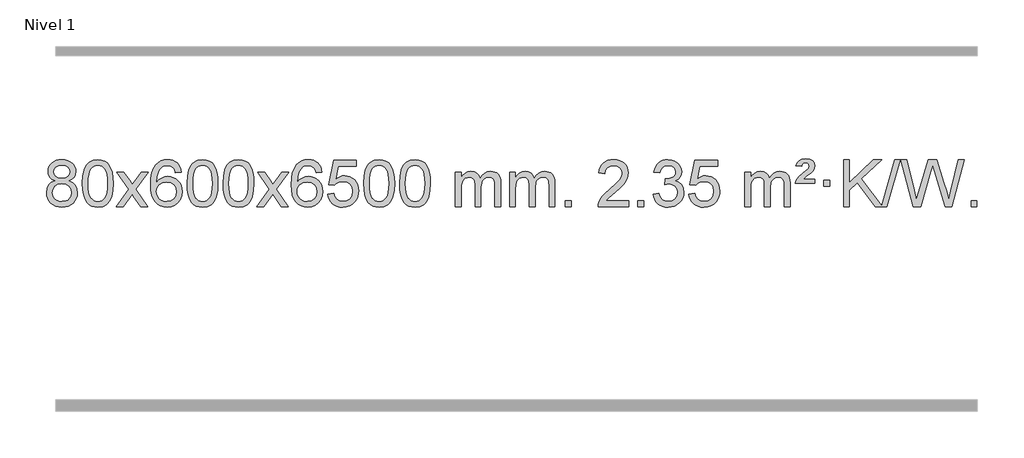
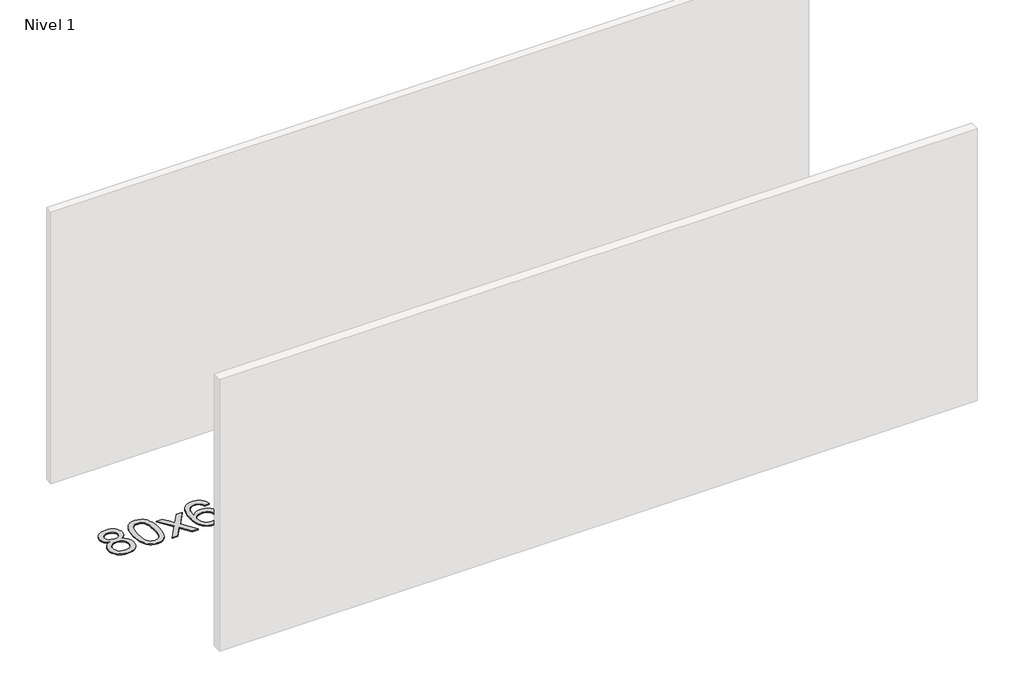
# One storey, part 5 of 16: 1 proxy.
"""IFC4 building model written with IfcOpenShell, lengths in millimetres."""

from ifc_helpers import new_model, si_unit, origin, origin_with_axes, place, context, project, spatial, polyline, outline, extrude, element, save

model = new_model("IFC4")

# Units and contexts
model_context = context("Model", 3, world=origin())
ifc_project = project(units=[si_unit("LENGTHUNIT", "METRE", prefix="MILLI")], contexts=[model_context])

# Site, building, storey
site = spatial("IfcSite", under=ifc_project)
building = spatial("IfcBuilding", under=site)
storey = spatial("IfcBuildingStorey", under=building, Name="Nivel 1", Elevation=0.0)

# Proxy
placement = place(None, origin())
element("IfcBuildingElementProxy", 1, Name="Texto de modelo 1", ObjectType="Texto de modelo 1", at=placement, inside=storey, context=model_context, shape_type="SweptSolid", body=[
    extrude(outline(polyline([(-13036.8094438, -6178.2616447), (-13063.7016177, -6165.0178929), (-13082.573964, -6147.0652515), (-13093.7207885, -6124.7716026), (-13097.4363966, -6098.5048281), (-13095.4130456, -6078.0199324), (-13089.3429927, -6059.2395565), (-13079.2262378, -6042.1637006), (-13065.062781, -6026.7923645), (-13047.533204, -6014.088173), (-13027.3180883, -6005.0137504), (-13004.4174341, -5999.5690969), (-12978.8312414, -5997.7542124), (-12953.1224213, -5999.6120165), (-12930.0500888, -6005.1854287), (-12909.614244, -6014.4744491), (-12891.8148868, -6027.4790776), (-12877.3939126, -6043.1508506), (-12867.0932167, -6060.4413044), (-12860.9127992, -6079.3504389), (-12858.85266, -6099.8782543), (-12862.5192172, -6125.2989001), (-12873.5188889, -6147.2124043), (-12891.9743023, -6165.0546811), (-12918.0080848, -6178.2616447), (-12887.0937345, -6194.1909351), (-12864.5916191, -6217.6495436), (-12850.8696207, -6247.5092989), (-12846.2956212, -6282.6420295), (-12848.5642269, -6307.6947933), (-12855.3700438, -6330.6628926), (-12866.713072, -6351.5463272), (-12882.5933114, -6370.3450971), (-12902.1768963, -6385.88198), (-12924.6299607, -6396.9797536), (-12949.9525047, -6403.6384177), (-12978.1445283, -6405.8579724), (-13006.3365519, -6403.6292206), (-13031.6590959, -6396.9429654), (-13054.1121603, -6385.7992066), (-13073.6957452, -6370.1979443), (-13089.5759846, -6351.26735), (-13100.9190128, -6330.135595), (-13107.7248297, -6306.8026795), (-13109.9934354, -6281.2686033), (-13105.2354949, -6244.7747094), (-13090.9616735, -6214.7555386), (-13067.9077351, -6192.2411605), (-13036.8094438, -6178.2616447)]), holes=[polyline([(-13047.2082415, -6099.9763561), (-13042.7568694, -6121.902123), (-13029.402753, -6139.413306), (-13007.5382997, -6150.8912243), (-12977.5559171, -6154.717197), (-12948.2725103, -6150.9157497), (-12926.7391508, -6139.5114079), (-12913.495399, -6122.5888361), (-12909.0808151, -6102.232699), (-12913.6425518, -6081.1040098), (-12927.327762, -6063.629615), (-12949.1554271, -6051.8941794), (-12978.1445283, -6047.9823675), (-13007.3175705, -6051.8083402), (-13029.1084474, -6063.2862585), (-13042.683293, -6080.1107284), (-13047.2082415, -6099.9763561)]), polyline([(-13059.7652803, -6279.5027698), (-13057.6683529, -6298.7184726), (-13051.3775708, -6317.3210389), (-13039.7647625, -6333.5446349), (-13021.7017565, -6345.623427), (-13000.0702952, -6353.1282197), (-12977.7521208, -6355.6298173), (-12943.5636208, -6350.3691048), (-12929.6699441, -6343.7932141), (-12917.909983, -6334.5869672), (-12901.870328, -6310.6869002), (-12896.5237763, -6281.0723996), (-12902.0420062, -6250.9551269), (-12918.596696, -6226.5277625), (-12930.6754882, -6217.0854579), (-12944.838945, -6210.3409547), (-12979.4198526, -6204.9453521), (-13013.130106, -6210.2673783), (-13026.8674329, -6216.919911), (-13038.5262264, -6226.2334569), (-13054.4555168, -6250.1948375), (-13059.7652803, -6279.5027698)])]), origin_with_axes(), (0.0, 0.0, 1.0), 10.0),
    extrude(outline(polyline([(-12802.3459855, -6201.9041943), (-12798.6549029, -6137.5861588), (-12787.5816548, -6086.2911459), (-12769.236606, -6047.2343407), (-12757.378543, -6032.0009605), (-12743.730121, -6019.6309284), (-12728.2453547, -6010.0598651), (-12710.8782588, -6003.2233914), (-12670.4970785, -5997.7542124), (-12639.5459399, -6000.991574), (-12611.832163, -6010.7036586), (-12588.6555973, -6026.5103217), (-12571.3160926, -6048.0314184), (-12558.2194935, -6075.0830078), (-12547.7716449, -6107.4811488), (-12540.9290398, -6148.6226186), (-12538.6481714, -6201.9041943), (-12542.3024659, -6265.8543477), (-12553.2653493, -6317.0267333), (-12571.5000336, -6356.1203266), (-12583.3305054, -6371.3996922), (-12596.9697304, -6383.8341036), (-12612.4728908, -6393.4695462), (-12629.8951689, -6400.3520052), (-12670.4970785, -6405.8579724), (-12698.1618045, -6403.4667394), (-12722.6872709, -6396.2930405), (-12744.0734775, -6384.3368757), (-12762.3204245, -6367.5982449), (-12779.8316074, -6337.3399508), (-12792.3395953, -6299.6381776), (-12799.844388, -6254.4929255), (-12802.3459855, -6201.9041943)]), holes=[polyline([(-12752.1178305, -6201.8060924), (-12750.6463025, -6245.4706195), (-12746.2317185, -6280.8148822), (-12738.8740786, -6307.8388804), (-12728.5733828, -6326.5426142), (-12716.1144459, -6339.2682656), (-12702.2820829, -6348.3580165), (-12687.0762937, -6353.8118671), (-12670.4970785, -6355.6298173), (-12653.9178632, -6353.8057357), (-12638.7120741, -6348.3334911), (-12624.8797111, -6339.2130833), (-12612.4207742, -6326.4445124), (-12602.1200783, -6307.7101217), (-12594.7624384, -6280.6922549), (-12590.3478545, -6245.3909118), (-12588.8763265, -6201.8060924), (-12590.2988035, -6159.2973278), (-12594.5662347, -6124.5753989), (-12601.6786199, -6097.6403055), (-12611.6359592, -6078.4920476), (-12623.8864297, -6065.1440625), (-12637.8782082, -6055.6097875), (-12653.6112949, -6049.8892225), (-12671.0856897, -6047.9823675), (-12687.5790658, -6049.6623619), (-12702.5273375, -6054.7023452), (-12715.9305049, -6063.1023175), (-12727.7885679, -6074.8622786), (-12738.4326203, -6095.708925), (-12746.0355148, -6123.8151094), (-12750.5972516, -6159.1808319), (-12752.1178305, -6201.8060924)])]), origin_with_axes(), (0.0, 0.0, 1.0), 10.0),
    extrude(outline(polyline([(-12513.5340939, -6399.579453), (-12406.2106531, -6251.2494325), (-12507.2555745, -6104.4890419), (-12446.8248254, -6104.4890419), (-12398.0681983, -6175.122385), (-12375.3085655, -6208.4770192), (-12355.5900906, -6181.2047007), (-12300.0644348, -6104.4890419), (-12239.6336857, -6104.4890419), (-12345.7799041, -6251.2494325), (-12243.5577603, -6399.579453), (-12303.9885094, -6399.579453), (-12365.498379, -6310.4048574), (-12376.7800935, -6294.1199477), (-12453.1033448, -6399.579453), (-12513.5340939, -6399.579453)])), origin_with_axes(), (0.0, 0.0, 1.0), 10.0),
    extrude(outline(polyline([(-11954.7458687, -6104.4890419), (-12004.9740237, -6110.7675613), (-12013.0674276, -6085.874213), (-12024.0057856, -6068.8780648), (-12046.7899439, -6053.2062918), (-12074.3320426, -6047.9823675), (-12097.6802865, -6051.0235253), (-12119.6551044, -6060.1469988), (-12138.5274507, -6079.3627017), (-12153.9417063, -6105.8134171), (-12164.3527668, -6143.227016), (-12168.2155277, -6195.3313693), (-12148.0678571, -6171.8237098), (-12123.9225355, -6155.2567573), (-12097.1284635, -6145.434308), (-12069.0345418, -6142.1601582), (-12044.9014829, -6144.398107), (-12022.6323595, -6151.1119534), (-12002.2271715, -6162.3016975), (-11983.6859189, -6177.9673391), (-11968.2777947, -6197.1769106), (-11957.2719917, -6218.9984443), (-11950.6685099, -6243.4319401), (-11948.4673493, -6270.4773982), (-11952.6121531, -6306.4439945), (-11965.0465645, -6339.786366), (-11984.740514, -6368.0642287), (-12010.6639319, -6388.8372987), (-12041.6395959, -6401.602804), (-12076.4902836, -6405.8579724), (-12106.4328123, -6403.0375437), (-12133.4752046, -6394.5762579), (-12157.6174606, -6380.4741147), (-12178.8595801, -6360.7311143), (-12196.177625, -6334.5133908), (-12208.5476571, -6300.9870783), (-12215.9696764, -6260.1521768), (-12218.4436828, -6212.0086864), (-12215.6968306, -6158.0342663), (-12207.4562739, -6111.9693092), (-12193.7220127, -6073.8138149), (-12174.4940471, -6043.5677835), (-12153.6535321, -6023.5243462), (-12129.4898164, -6009.2076052), (-12102.0029, -6000.6175606), (-12071.1927829, -5997.7542124), (-12048.0591367, -5999.5261773), (-12027.1205198, -6004.8420722), (-12008.3769322, -6013.7018969), (-11991.8283738, -6026.1056515), (-11977.9224344, -6041.6364031), (-11967.1067037, -6059.8772186), (-11959.3811818, -6080.8280983), (-11954.7458687, -6104.4890419)]), holes=[polyline([(-12168.2155277, -6269.6925832), (-12165.30926, -6291.9494439), (-12156.5904567, -6313.2007605), (-12143.0523993, -6331.472233), (-12125.6883691, -6344.7895612), (-12104.7313581, -6352.9197533), (-12080.4143582, -6355.6298173), (-12047.2681904, -6350.0134855), (-12033.353054, -6342.9930708), (-12021.2098825, -6333.1644901), (-12011.359842, -6320.9262824), (-12004.3240989, -6306.6769865), (-11998.6955043, -6272.1451299), (-12004.2505225, -6238.9989621), (-12011.1942951, -6225.3781312), (-12020.9155769, -6213.725469), (-12033.0955366, -6204.3904634), (-12047.4153432, -6197.7226022), (-12082.4744974, -6192.3883133), (-12115.5716142, -6197.7226022), (-12143.248603, -6213.725469), (-12154.1716326, -6225.2248471), (-12161.9737965, -6238.3858254), (-12166.6550949, -6253.2084042), (-12168.2155277, -6269.6925832)])]), origin_with_axes(), (0.0, 0.0, 1.0), 10.0),
    extrude(outline(polyline([(-11904.5177136, -6201.9041943), (-11900.8266309, -6137.5861588), (-11889.7533828, -6086.2911459), (-11871.408334, -6047.2343407), (-11859.550271, -6032.0009605), (-11845.901849, -6019.6309284), (-11830.4170827, -6010.0598651), (-11813.0499869, -6003.2233914), (-11772.6688065, -5997.7542124), (-11741.717668, -6000.991574), (-11714.003891, -6010.7036586), (-11690.8273253, -6026.5103217), (-11673.4878206, -6048.0314184), (-11660.3912216, -6075.0830078), (-11649.9433729, -6107.4811488), (-11643.1007678, -6148.6226186), (-11640.8198994, -6201.9041943), (-11644.4741939, -6265.8543477), (-11655.4370774, -6317.0267333), (-11673.6717616, -6356.1203266), (-11685.5022334, -6371.3996922), (-11699.1414584, -6383.8341036), (-11714.6446188, -6393.4695462), (-11732.066897, -6400.3520052), (-11772.6688065, -6405.8579724), (-11800.3335326, -6403.4667394), (-11824.8589989, -6396.2930405), (-11846.2452055, -6384.3368757), (-11864.4921525, -6367.5982449), (-11882.0033355, -6337.3399508), (-11894.5113233, -6299.6381776), (-11902.016116, -6254.4929255), (-11904.5177136, -6201.9041943)]), holes=[polyline([(-11854.2895585, -6201.8060924), (-11852.8180305, -6245.4706195), (-11848.4034466, -6280.8148822), (-11841.0458067, -6307.8388804), (-11830.7451108, -6326.5426142), (-11818.2861739, -6339.2682656), (-11804.4538109, -6348.3580165), (-11789.2480218, -6353.8118671), (-11772.6688065, -6355.6298173), (-11756.0895913, -6353.8057357), (-11740.8838021, -6348.3334911), (-11727.0514391, -6339.2130833), (-11714.5925022, -6326.4445124), (-11704.2918063, -6307.7101217), (-11696.9341664, -6280.6922549), (-11692.5195825, -6245.3909118), (-11691.0480545, -6201.8060924), (-11692.4705316, -6159.2973278), (-11696.7379627, -6124.5753989), (-11703.8503479, -6097.6403055), (-11713.8076873, -6078.4920476), (-11726.0581577, -6065.1440625), (-11740.0499363, -6055.6097875), (-11755.7830229, -6049.8892225), (-11773.2574177, -6047.9823675), (-11789.7507938, -6049.6623619), (-11804.6990656, -6054.7023452), (-11818.1022329, -6063.1023175), (-11829.9602959, -6074.8622786), (-11840.6043483, -6095.708925), (-11848.2072429, -6123.8151094), (-11852.7689796, -6159.1808319), (-11854.2895585, -6201.8060924)])]), origin_with_axes(), (0.0, 0.0, 1.0), 10.0),
    extrude(outline(polyline([(-11596.8702638, -6201.9041943), (-11593.1791811, -6137.5861588), (-11582.105933, -6086.2911459), (-11563.7608842, -6047.2343407), (-11551.9028212, -6032.0009605), (-11538.2543992, -6019.6309284), (-11522.7696329, -6010.0598651), (-11505.402537, -6003.2233914), (-11465.0213567, -5997.7542124), (-11434.0702182, -6000.991574), (-11406.3564412, -6010.7036586), (-11383.1798755, -6026.5103217), (-11365.8403708, -6048.0314184), (-11352.7437718, -6075.0830078), (-11342.2959231, -6107.4811488), (-11335.453318, -6148.6226186), (-11333.1724496, -6201.9041943), (-11336.8267441, -6265.8543477), (-11347.7896275, -6317.0267333), (-11366.0243118, -6356.1203266), (-11377.8547836, -6371.3996922), (-11391.4940086, -6383.8341036), (-11406.997169, -6393.4695462), (-11424.4194471, -6400.3520052), (-11465.0213567, -6405.8579724), (-11492.6860827, -6403.4667394), (-11517.2115491, -6396.2930405), (-11538.5977557, -6384.3368757), (-11556.8447027, -6367.5982449), (-11574.3558856, -6337.3399508), (-11586.8638735, -6299.6381776), (-11594.3686662, -6254.4929255), (-11596.8702638, -6201.9041943)]), holes=[polyline([(-11546.6421087, -6201.8060924), (-11545.1705807, -6245.4706195), (-11540.7559968, -6280.8148822), (-11533.3983568, -6307.8388804), (-11523.097661, -6326.5426142), (-11510.6387241, -6339.2682656), (-11496.8063611, -6348.3580165), (-11481.6005719, -6353.8118671), (-11465.0213567, -6355.6298173), (-11448.4421414, -6353.8057357), (-11433.2363523, -6348.3334911), (-11419.4039893, -6339.2130833), (-11406.9450524, -6326.4445124), (-11396.6443565, -6307.7101217), (-11389.2867166, -6280.6922549), (-11384.8721327, -6245.3909118), (-11383.4006047, -6201.8060924), (-11384.8230817, -6159.2973278), (-11389.0905129, -6124.5753989), (-11396.2028981, -6097.6403055), (-11406.1602375, -6078.4920476), (-11418.4107079, -6065.1440625), (-11432.4024864, -6055.6097875), (-11448.1355731, -6049.8892225), (-11465.6099679, -6047.9823675), (-11482.103344, -6049.6623619), (-11497.0516157, -6054.7023452), (-11510.4547831, -6063.1023175), (-11522.3128461, -6074.8622786), (-11532.9568985, -6095.708925), (-11540.559793, -6123.8151094), (-11545.1215298, -6159.1808319), (-11546.6421087, -6201.8060924)])]), origin_with_axes(), (0.0, 0.0, 1.0), 10.0),
    extrude(outline(polyline([(-11308.0583721, -6399.579453), (-11200.7349313, -6251.2494325), (-11301.7798527, -6104.4890419), (-11241.3491036, -6104.4890419), (-11192.5924765, -6175.122385), (-11169.8328437, -6208.4770192), (-11150.1143688, -6181.2047007), (-11094.588713, -6104.4890419), (-11034.1579639, -6104.4890419), (-11140.3041823, -6251.2494325), (-11038.0820385, -6399.579453), (-11098.5127876, -6399.579453), (-11160.0226572, -6310.4048574), (-11171.3043717, -6294.1199477), (-11247.627623, -6399.579453), (-11308.0583721, -6399.579453)])), origin_with_axes(), (0.0, 0.0, 1.0), 10.0),
    extrude(outline(polyline([(-10749.2701469, -6104.4890419), (-10799.4983019, -6110.7675613), (-10807.5917058, -6085.874213), (-10818.5300638, -6068.8780648), (-10841.3142221, -6053.2062918), (-10868.8563208, -6047.9823675), (-10892.2045647, -6051.0235253), (-10914.1793826, -6060.1469988), (-10933.0517289, -6079.3627017), (-10948.4659845, -6105.8134171), (-10958.877045, -6143.227016), (-10962.7398059, -6195.3313693), (-10942.5921353, -6171.8237098), (-10918.4468137, -6155.2567573), (-10891.6527417, -6145.434308), (-10863.55882, -6142.1601582), (-10839.4257611, -6144.398107), (-10817.1566377, -6151.1119534), (-10796.7514497, -6162.3016975), (-10778.2101972, -6177.9673391), (-10762.8020729, -6197.1769106), (-10751.7962699, -6218.9984443), (-10745.1927881, -6243.4319401), (-10742.9916275, -6270.4773982), (-10747.1364313, -6306.4439945), (-10759.5708427, -6339.786366), (-10779.2647922, -6368.0642287), (-10805.1882101, -6388.8372987), (-10836.1638741, -6401.602804), (-10871.0145618, -6405.8579724), (-10900.9570905, -6403.0375437), (-10927.9994829, -6394.5762579), (-10952.1417388, -6380.4741147), (-10973.3838583, -6360.7311143), (-10990.7019032, -6334.5133908), (-11003.0719353, -6300.9870783), (-11010.4939546, -6260.1521768), (-11012.967961, -6212.0086864), (-11010.2211088, -6158.0342663), (-11001.9805521, -6111.9693092), (-10988.2462909, -6073.8138149), (-10969.0183253, -6043.5677835), (-10948.1778103, -6023.5243462), (-10924.0140946, -6009.2076052), (-10896.5271782, -6000.6175606), (-10865.7170611, -5997.7542124), (-10842.5834149, -5999.5261773), (-10821.644798, -6004.8420722), (-10802.9012104, -6013.7018969), (-10786.352652, -6026.1056515), (-10772.4467126, -6041.6364031), (-10761.6309819, -6059.8772186), (-10753.90546, -6080.8280983), (-10749.2701469, -6104.4890419)]), holes=[polyline([(-10962.7398059, -6269.6925832), (-10959.8335382, -6291.9494439), (-10951.1147349, -6313.2007605), (-10937.5766775, -6331.472233), (-10920.2126473, -6344.7895612), (-10899.2556363, -6352.9197533), (-10874.9386364, -6355.6298173), (-10841.7924687, -6350.0134855), (-10827.8773322, -6342.9930708), (-10815.7341607, -6333.1644901), (-10805.8841202, -6320.9262824), (-10798.8483771, -6306.6769865), (-10793.2197826, -6272.1451299), (-10798.7748007, -6238.9989621), (-10805.7185733, -6225.3781312), (-10815.4398551, -6213.725469), (-10827.6198148, -6204.3904634), (-10841.9396214, -6197.7226022), (-10876.9987756, -6192.3883133), (-10910.0958924, -6197.7226022), (-10937.7728812, -6213.725469), (-10948.6959108, -6225.2248471), (-10956.4980747, -6238.3858254), (-10961.1793731, -6253.2084042), (-10962.7398059, -6269.6925832)])]), origin_with_axes(), (0.0, 0.0, 1.0), 10.0),
    extrude(outline(polyline([(-10699.0419918, -6292.8446235), (-10648.8138367, -6286.5661041), (-10639.5922614, -6316.7201649), (-10623.5035554, -6338.3148381), (-10600.6212953, -6351.3010725), (-10571.0190575, -6355.6298173), (-10551.8891937, -6354.1245668), (-10535.0156729, -6349.6088153), (-10520.3984949, -6342.0825628), (-10508.0376599, -6331.5458094), (-10498.2090793, -6318.519721), (-10491.1886645, -6303.5254641), (-10485.5723327, -6267.6324441), (-10490.8330453, -6233.8363514), (-10497.4089359, -6219.9181493), (-10506.6151828, -6207.9865099), (-10518.4824429, -6198.4154467), (-10533.0413728, -6191.5789729), (-10570.2342425, -6186.1097939), (-10594.6002934, -6188.2925604), (-10614.331031, -6194.8408599), (-10630.0886432, -6204.8717757), (-10642.5353173, -6217.5023908), (-10692.7634724, -6211.2238715), (-10648.8138367, -6004.0327318), (-10454.1797358, -6004.0327318), (-10454.1797358, -6054.2608869), (-10608.1996644, -6054.2608869), (-10629.683973, -6164.919791), (-10611.9581922, -6152.2155994), (-10593.8032157, -6143.1411769), (-10575.2190436, -6137.6965234), (-10556.2056758, -6135.8816388), (-10531.7445888, -6138.1318504), (-10509.2761959, -6144.882485), (-10488.8004972, -6156.1335427), (-10470.3174927, -6171.8850234), (-10455.0166673, -6191.1743027), (-10444.0875064, -6213.038756), (-10437.5300098, -6237.4783832), (-10435.3441776, -6264.4931844), (-10437.3123463, -6290.5147042), (-10443.2168523, -6314.7213394), (-10453.0576957, -6337.1130902), (-10466.8348764, -6357.6899565), (-10487.7060483, -6378.7634634), (-10512.0598364, -6393.8159684), (-10539.8962407, -6402.8474714), (-10571.2152612, -6405.8579724), (-10597.1356134, -6403.9235262), (-10620.5482368, -6398.1201877), (-10641.4531311, -6388.447957), (-10659.8502966, -6374.9068338), (-10675.1572533, -6358.1712688), (-10686.7915213, -6338.915712), (-10694.7531009, -6317.1401636), (-10699.0419918, -6292.8446235)])), origin_with_axes(), (0.0, 0.0, 1.0), 10.0),
    extrude(outline(polyline([(-10391.394542, -6201.9041943), (-10387.7034593, -6137.5861588), (-10376.6302112, -6086.2911459), (-10358.2851624, -6047.2343407), (-10346.4270994, -6032.0009605), (-10332.7786774, -6019.6309284), (-10317.2939111, -6010.0598651), (-10299.9268152, -6003.2233914), (-10259.5456349, -5997.7542124), (-10228.5944964, -6000.991574), (-10200.8807194, -6010.7036586), (-10177.7041537, -6026.5103217), (-10160.364649, -6048.0314184), (-10147.26805, -6075.0830078), (-10136.8202013, -6107.4811488), (-10129.9775962, -6148.6226186), (-10127.6967278, -6201.9041943), (-10131.3510223, -6265.8543477), (-10142.3139058, -6317.0267333), (-10160.54859, -6356.1203266), (-10172.3790618, -6371.3996922), (-10186.0182868, -6383.8341036), (-10201.5214472, -6393.4695462), (-10218.9437253, -6400.3520052), (-10259.5456349, -6405.8579724), (-10287.2103609, -6403.4667394), (-10311.7358273, -6396.2930405), (-10333.1220339, -6384.3368757), (-10351.3689809, -6367.5982449), (-10368.8801639, -6337.3399508), (-10381.3881517, -6299.6381776), (-10388.8929444, -6254.4929255), (-10391.394542, -6201.9041943)]), holes=[polyline([(-10341.1663869, -6201.8060924), (-10339.6948589, -6245.4706195), (-10335.280275, -6280.8148822), (-10327.9226351, -6307.8388804), (-10317.6219392, -6326.5426142), (-10305.1630023, -6339.2682656), (-10291.3306393, -6348.3580165), (-10276.1248501, -6353.8118671), (-10259.5456349, -6355.6298173), (-10242.9664196, -6353.8057357), (-10227.7606305, -6348.3334911), (-10213.9282675, -6339.2130833), (-10201.4693306, -6326.4445124), (-10191.1686347, -6307.7101217), (-10183.8109948, -6280.6922549), (-10179.3964109, -6245.3909118), (-10177.9248829, -6201.8060924), (-10179.3473599, -6159.2973278), (-10183.6147911, -6124.5753989), (-10190.7271763, -6097.6403055), (-10200.6845157, -6078.4920476), (-10212.9349861, -6065.1440625), (-10226.9267646, -6055.6097875), (-10242.6598513, -6049.8892225), (-10260.1342461, -6047.9823675), (-10276.6276222, -6049.6623619), (-10291.5758939, -6054.7023452), (-10304.9790613, -6063.1023175), (-10316.8371243, -6074.8622786), (-10327.4811767, -6095.708925), (-10335.0840712, -6123.8151094), (-10339.645808, -6159.1808319), (-10341.1663869, -6201.8060924)])]), origin_with_axes(), (0.0, 0.0, 1.0), 10.0),
    extrude(outline(polyline([(-10083.7470921, -6201.9041943), (-10080.0560094, -6137.5861588), (-10068.9827614, -6086.2911459), (-10050.6377126, -6047.2343407), (-10038.7796496, -6032.0009605), (-10025.1312276, -6019.6309284), (-10009.6464612, -6010.0598651), (-9992.2793654, -6003.2233914), (-9951.8981851, -5997.7542124), (-9920.9470465, -6000.991574), (-9893.2332696, -6010.7036586), (-9870.0567039, -6026.5103217), (-9852.7171992, -6048.0314184), (-9839.6206001, -6075.0830078), (-9829.1727515, -6107.4811488), (-9822.3301463, -6148.6226186), (-9820.049278, -6201.9041943), (-9823.7035725, -6265.8543477), (-9834.6664559, -6317.0267333), (-9852.9011401, -6356.1203266), (-9864.731612, -6371.3996922), (-9878.3708369, -6383.8341036), (-9893.8739974, -6393.4695462), (-9911.2962755, -6400.3520052), (-9951.8981851, -6405.8579724), (-9979.5629111, -6403.4667394), (-10004.0883774, -6396.2930405), (-10025.4745841, -6384.3368757), (-10043.721531, -6367.5982449), (-10061.232714, -6337.3399508), (-10073.7407019, -6299.6381776), (-10081.2454946, -6254.4929255), (-10083.7470921, -6201.9041943)]), holes=[polyline([(-10033.518937, -6201.8060924), (-10032.0474091, -6245.4706195), (-10027.6328251, -6280.8148822), (-10020.2751852, -6307.8388804), (-10009.9744894, -6326.5426142), (-9997.5155525, -6339.2682656), (-9983.6831894, -6348.3580165), (-9968.4774003, -6353.8118671), (-9951.8981851, -6355.6298173), (-9935.3189698, -6353.8057357), (-9920.1131807, -6348.3334911), (-9906.2808176, -6339.2130833), (-9893.8218807, -6326.4445124), (-9883.5211849, -6307.7101217), (-9876.163545, -6280.6922549), (-9871.748961, -6245.3909118), (-9870.2774331, -6201.8060924), (-9871.6999101, -6159.2973278), (-9875.9673412, -6124.5753989), (-9883.0797265, -6097.6403055), (-9893.0370658, -6078.4920476), (-9905.2875363, -6065.1440625), (-9919.2793148, -6055.6097875), (-9935.0124015, -6049.8892225), (-9952.4867962, -6047.9823675), (-9968.9801724, -6049.6623619), (-9983.9284441, -6054.7023452), (-9997.3316115, -6063.1023175), (-10009.1896744, -6074.8622786), (-10019.8337268, -6095.708925), (-10027.4366214, -6123.8151094), (-10031.9983581, -6159.1808319), (-10033.518937, -6201.8060924)])]), origin_with_axes(), (0.0, 0.0, 1.0), 10.0),
    extrude(outline(polyline([(-9606.5796189, -6399.579453), (-9606.5796189, -6104.4890419), (-9556.3514638, -6104.4890419), (-9556.3514638, -6153.0494653), (-9541.2437766, -6130.7435537), (-9521.8196072, -6113.2691589), (-9498.7411434, -6101.9751816), (-9472.6705727, -6098.2105225), (-9444.7360665, -6102.048758), (-9422.3443157, -6113.5634645), (-9405.6179477, -6131.9943524), (-9394.6795897, -6156.5811324), (-9376.3713291, -6131.0439906), (-9355.4878945, -6112.803175), (-9332.0292859, -6101.8586857), (-9305.9955034, -6098.2105225), (-9285.8876867, -6099.7280358), (-9268.2385479, -6104.2805755), (-9253.0480872, -6111.8681416), (-9240.3163045, -6122.4907342), (-9230.2516663, -6136.2709806), (-9223.0626389, -6153.3315082), (-9218.7492225, -6173.6723168), (-9217.3114171, -6197.2934066), (-9217.3114171, -6399.579453), (-9267.5395722, -6399.579453), (-9267.5395722, -6218.875817), (-9268.7045318, -6193.8230531), (-9272.1994108, -6176.9372695), (-9278.7477103, -6165.3735121), (-9289.0729316, -6156.2868268), (-9302.3534716, -6150.4007149), (-9317.7677272, -6148.4386776), (-9344.9787321, -6153.4663982), (-9367.1620165, -6168.54956), (-9375.7673895, -6180.1194488), (-9381.9140845, -6194.7182326), (-9386.8314405, -6233.0024856), (-9386.8314405, -6399.579453), (-9437.0595955, -6399.579453), (-9437.0595955, -6213.2840106), (-9439.9658633, -6184.8835206), (-9448.6846666, -6164.6254854), (-9464.0253458, -6152.4853796), (-9486.7972413, -6148.4386776), (-9506.1478342, -6151.1364789), (-9523.9778483, -6159.2298828), (-9538.6931281, -6172.5226856), (-9548.6995183, -6190.8186835), (-9554.4384775, -6216.2025411), (-9556.3514638, -6250.7589232), (-9556.3514638, -6399.579453), (-9606.5796189, -6399.579453)])), origin_with_axes(), (0.0, 0.0, 1.0), 10.0),
    extrude(outline(polyline([(-9141.9691845, -6399.579453), (-9141.9691845, -6104.4890419), (-9091.7410294, -6104.4890419), (-9091.7410294, -6153.0494653), (-9076.6333421, -6130.7435537), (-9057.2091728, -6113.2691589), (-9034.130709, -6101.9751816), (-9008.0601382, -6098.2105225), (-8980.1256321, -6102.048758), (-8957.7338813, -6113.5634645), (-8941.0075132, -6131.9943524), (-8930.0691552, -6156.5811324), (-8911.7608946, -6131.0439906), (-8890.87746, -6112.803175), (-8867.4188515, -6101.8586857), (-8841.3850689, -6098.2105225), (-8821.2772522, -6099.7280358), (-8803.6281135, -6104.2805755), (-8788.4376528, -6111.8681416), (-8775.7058701, -6122.4907342), (-8765.6412318, -6136.2709806), (-8758.4522045, -6153.3315082), (-8754.1387881, -6173.6723168), (-8752.7009826, -6197.2934066), (-8752.7009826, -6399.579453), (-8802.9291377, -6399.579453), (-8802.9291377, -6218.875817), (-8804.0940974, -6193.8230531), (-8807.5889763, -6176.9372695), (-8814.1372758, -6165.3735121), (-8824.4624972, -6156.2868268), (-8837.7430372, -6150.4007149), (-8853.1572928, -6148.4386776), (-8880.3682977, -6153.4663982), (-8902.551582, -6168.54956), (-8911.156955, -6180.1194488), (-8917.30365, -6194.7182326), (-8922.221006, -6233.0024856), (-8922.221006, -6399.579453), (-8972.4491611, -6399.579453), (-8972.4491611, -6213.2840106), (-8975.3554289, -6184.8835206), (-8984.0742321, -6164.6254854), (-8999.4149113, -6152.4853796), (-9022.1868068, -6148.4386776), (-9041.5373998, -6151.1364789), (-9059.3674138, -6159.2298828), (-9074.0826936, -6172.5226856), (-9084.0890839, -6190.8186835), (-9089.828043, -6216.2025411), (-9091.7410294, -6250.7589232), (-9091.7410294, -6399.579453), (-9141.9691845, -6399.579453)])), origin_with_axes(), (0.0, 0.0, 1.0), 10.0),
    extrude(outline(polyline([(-8664.8017113, -6399.579453), (-8664.8017113, -6349.3512979), (-8614.5735562, -6349.3512979), (-8614.5735562, -6399.579453), (-8664.8017113, -6399.579453)])), origin_with_axes(), (0.0, 0.0, 1.0), 10.0),
    extrude(outline(polyline([(-8118.5705248, -6349.3512979), (-8118.5705248, -6399.579453), (-8382.268339, -6399.579453), (-8381.164693, -6381.8965918), (-8376.8727364, -6364.9494945), (-8364.4873759, -6337.8856424), (-8346.3630562, -6311.6311307), (-8320.1453327, -6284.1503456), (-8283.4797605, -6253.4076736), (-8229.2784799, -6205.2641831), (-8196.7577115, -6169.7267824), (-8180.4973273, -6140.884834), (-8175.0771993, -6112.8277005), (-8180.190759, -6087.6768347), (-8195.5314382, -6066.7688747), (-8219.1126741, -6052.6789943), (-8248.9479039, -6047.9823675), (-8280.2791872, -6052.5686297), (-8304.6207125, -6066.3274163), (-8320.3292737, -6088.1796068), (-8325.7616645, -6117.0460807), (-8375.9898196, -6110.7675613), (-8371.6702718, -6084.838012), (-8363.8129255, -6062.1826125), (-8352.4177807, -6042.8013627), (-8337.4848374, -6026.6942627), (-8319.3574521, -6014.0329907), (-8298.3789813, -6004.989225), (-8274.5494251, -5999.5629655), (-8247.8687834, -5997.7542124), (-8220.9490184, -5999.7653006), (-8196.9907035, -6005.7985654), (-8175.9938386, -6015.8540066), (-8157.9584238, -6029.9316242), (-8143.4730702, -6046.9890861), (-8133.1263891, -6065.9840598), (-8126.9183804, -6086.9165453), (-8124.8490442, -6109.7865427), (-8127.0808616, -6133.8092369), (-8133.776314, -6157.4149983), (-8145.6589024, -6181.4254299), (-8163.4521282, -6206.6621347), (-8191.8158301, -6236.7916701), (-8235.4098465, -6275.4805933), (-8293.1918452, -6323.795762), (-8315.8533761, -6349.3512979), (-8118.5705248, -6349.3512979)])), origin_with_axes(), (0.0, 0.0, 1.0), 10.0),
    extrude(outline(polyline([(-8043.2282922, -6399.579453), (-8043.2282922, -6349.3512979), (-7993.0001371, -6349.3512979), (-7993.0001371, -6399.579453), (-8043.2282922, -6399.579453)])), origin_with_axes(), (0.0, 0.0, 1.0), 10.0),
    extrude(outline(polyline([(-7911.3793851, -6292.8446235), (-7861.1512301, -6286.5661041), (-7849.9063037, -6318.1303793), (-7833.4374531, -6339.4430095), (-7810.9353377, -6351.5831154), (-7781.5906172, -6355.6298173), (-7747.1568625, -6350.0625364), (-7732.8830411, -6343.1034354), (-7720.571257, -6333.3606939), (-7703.5751088, -6308.4428201), (-7697.9097261, -6278.2274455), (-7703.5260579, -6249.5449126), (-7720.3750532, -6226.2825078), (-7745.8815382, -6210.8682522), (-7777.4703389, -6205.730167), (-7812.6889086, -6211.2238715), (-7807.0971022, -6160.9957164), (-7799.0527493, -6161.5843276), (-7768.9600021, -6157.979084), (-7742.0555655, -6147.1633534), (-7730.9823174, -6138.9841103), (-7723.0728545, -6128.8673555), (-7718.3271768, -6116.8130888), (-7716.7452842, -6102.8213102), (-7721.3315464, -6081.1285352), (-7735.090333, -6063.5315131), (-7756.0841322, -6051.8696539), (-7782.3754322, -6047.9823675), (-7808.715783, -6051.9064421), (-7830.2491425, -6063.6786659), (-7845.9699664, -6083.299039), (-7854.8727107, -6110.7675613), (-7905.1008658, -6104.4890419), (-7899.1473088, -6080.5092672), (-7890.3120095, -6059.3867093), (-7878.594968, -6041.1213683), (-7863.9961842, -6025.713244), (-7846.9755105, -6013.4811677), (-7827.9927996, -6004.7439703), (-7807.0480513, -5999.5016519), (-7784.1412657, -5997.7542124), (-7752.5647278, -6001.2000404), (-7723.5633639, -6011.5375245), (-7699.1114739, -6027.8469596), (-7681.183358, -6049.2086408), (-7670.1836864, -6073.8199463), (-7666.5171291, -6099.8782543), (-7669.9997454, -6124.1584659), (-7680.447594, -6146.1823347), (-7697.7135223, -6164.9443165), (-7721.6503775, -6179.4388671), (-7690.2087296, -6192.1430586), (-7666.9095366, -6213.77452), (-7652.4885624, -6243.1560286), (-7647.681571, -6279.1103623), (-7650.0850667, -6304.5923218), (-7657.2955538, -6328.0631931), (-7669.3130323, -6349.5229762), (-7686.1375022, -6368.971671), (-7706.6346607, -6385.1094278), (-7729.670205, -6396.636397), (-7755.244135, -6403.5525785), (-7783.3564508, -6405.8579724), (-7808.7648339, -6403.8898037), (-7831.9168742, -6397.9852977), (-7852.8125715, -6388.1444543), (-7871.4519259, -6374.3672736), (-7887.0807794, -6357.4630959), (-7898.9449737, -6338.2412617), (-7907.044509, -6316.7017708), (-7911.3793851, -6292.8446235)])), origin_with_axes(), (0.0, 0.0, 1.0), 10.0),
    extrude(outline(polyline([(-7603.7319353, -6292.8446235), (-7553.5037802, -6286.5661041), (-7544.2822049, -6316.7201649), (-7528.193499, -6338.3148381), (-7505.3112389, -6351.3010725), (-7475.709001, -6355.6298173), (-7456.5791372, -6354.1245668), (-7439.7056164, -6349.6088153), (-7425.0884384, -6342.0825628), (-7412.7276034, -6331.5458094), (-7402.8990228, -6318.519721), (-7395.878608, -6303.5254641), (-7390.2622762, -6267.6324441), (-7395.5229888, -6233.8363514), (-7402.0988794, -6219.9181493), (-7411.3051264, -6207.9865099), (-7423.1723864, -6198.4154467), (-7437.7313163, -6191.5789729), (-7474.9241861, -6186.1097939), (-7499.2902369, -6188.2925604), (-7519.0209745, -6194.8408599), (-7534.7785867, -6204.8717757), (-7547.2252608, -6217.5023908), (-7597.4534159, -6211.2238715), (-7553.5037802, -6004.0327318), (-7358.8696793, -6004.0327318), (-7358.8696793, -6054.2608869), (-7512.889608, -6054.2608869), (-7534.3739165, -6164.919791), (-7516.6481357, -6152.2155994), (-7498.4931592, -6143.1411769), (-7479.9089871, -6137.6965234), (-7460.8956193, -6135.8816388), (-7436.4345323, -6138.1318504), (-7413.9661395, -6144.882485), (-7393.4904407, -6156.1335427), (-7375.0074362, -6171.8850234), (-7359.7066109, -6191.1743027), (-7348.7774499, -6213.038756), (-7342.2199533, -6237.4783832), (-7340.0341212, -6264.4931844), (-7342.0022898, -6290.5147042), (-7347.9067959, -6314.7213394), (-7357.7476392, -6337.1130902), (-7371.5248199, -6357.6899565), (-7392.3959918, -6378.7634634), (-7416.7497799, -6393.8159684), (-7444.5861842, -6402.8474714), (-7475.9052047, -6405.8579724), (-7501.825557, -6403.9235262), (-7525.2381803, -6398.1201877), (-7546.1430746, -6388.447957), (-7564.5402401, -6374.9068338), (-7579.8471968, -6358.1712688), (-7591.4814649, -6338.915712), (-7599.4430444, -6317.1401636), (-7603.7319353, -6292.8446235)])), origin_with_axes(), (0.0, 0.0, 1.0), 10.0),
    extrude(outline(polyline([(-7126.5644621, -6399.579453), (-7126.5644621, -6104.4890419), (-7076.336307, -6104.4890419), (-7076.336307, -6153.0494653), (-7061.2286197, -6130.7435537), (-7041.8044504, -6113.2691589), (-7018.7259866, -6101.9751816), (-6992.6554158, -6098.2105225), (-6964.7209097, -6102.048758), (-6942.3291589, -6113.5634645), (-6925.6027909, -6131.9943524), (-6914.6644329, -6156.5811324), (-6896.3561722, -6131.0439906), (-6875.4727377, -6112.803175), (-6852.0141291, -6101.8586857), (-6825.9803466, -6098.2105225), (-6805.8725298, -6099.7280358), (-6788.2233911, -6104.2805755), (-6773.0329304, -6111.8681416), (-6760.3011477, -6122.4907342), (-6750.2365094, -6136.2709806), (-6743.0474821, -6153.3315082), (-6738.7340657, -6173.6723168), (-6737.2962603, -6197.2934066), (-6737.2962603, -6399.579453), (-6787.5244153, -6399.579453), (-6787.5244153, -6218.875817), (-6788.689375, -6193.8230531), (-6792.1842539, -6176.9372695), (-6798.7325535, -6165.3735121), (-6809.0577748, -6156.2868268), (-6822.3383148, -6150.4007149), (-6837.7525704, -6148.4386776), (-6864.9635753, -6153.4663982), (-6887.1468596, -6168.54956), (-6895.7522326, -6180.1194488), (-6901.8989276, -6194.7182326), (-6906.8162836, -6233.0024856), (-6906.8162836, -6399.579453), (-6957.0444387, -6399.579453), (-6957.0444387, -6213.2840106), (-6959.9507065, -6184.8835206), (-6968.6695098, -6164.6254854), (-6984.010189, -6152.4853796), (-7006.7820845, -6148.4386776), (-7026.1326774, -6151.1364789), (-7043.9626914, -6159.2298828), (-7058.6779713, -6172.5226856), (-7068.6843615, -6190.8186835), (-7074.4233206, -6216.2025411), (-7076.336307, -6250.7589232), (-7076.336307, -6399.579453), (-7126.5644621, -6399.579453)])), origin_with_axes(), (0.0, 0.0, 1.0), 10.0),
    extrude(outline(polyline([(-6693.3466246, -6198.6668327), (-6689.5206518, -6182.8479069), (-6681.1819933, -6166.9799302), (-6659.6731593, -6141.8413272), (-6627.7164766, -6114.1030247), (-6583.5706372, -6076.726214), (-6576.4337265, -6065.1992448), (-6574.0547563, -6053.3779701), (-6575.9432172, -6041.2869152), (-6581.6085999, -6031.5012541), (-6590.977328, -6025.026531), (-6603.9758252, -6022.8682899), (-6616.4102366, -6024.4869707), (-6625.26393, -6029.343013), (-6631.6896022, -6038.8098431), (-6636.8399501, -6054.2608869), (-6687.0681052, -6047.9823675), (-6676.2278491, -6022.7701881), (-6659.5995829, -6005.2099542), (-6635.834406, -5994.9092583), (-6603.5834178, -5991.475693), (-6567.8007624, -5995.6082341), (-6543.0545668, -6008.0058573), (-6528.6335926, -6026.3386434), (-6523.8266012, -6048.2766731), (-6527.9223541, -6071.1834586), (-6540.2096127, -6092.8149199), (-6560.737428, -6112.6314968), (-6597.2067965, -6140.6886303), (-6622.8113834, -6167.2742358), (-6523.8266012, -6167.2742358), (-6523.8266012, -6198.6668327), (-6693.3466246, -6198.6668327)])), origin_with_axes(), (0.0, 0.0, 1.0), 10.0),
    extrude(outline(polyline([(-6448.4843686, -6223.7809102), (-6448.4843686, -6173.5527552), (-6398.2562135, -6173.5527552), (-6398.2562135, -6223.7809102), (-6448.4843686, -6223.7809102)])), origin_with_axes(), (0.0, 0.0, 1.0), 10.0),
    extrude(outline(polyline([(-6007.6145856, -6399.579453), (-6161.045903, -6196.9009991), (-6228.7361901, -6261.4520265), (-6228.7361901, -6399.579453), (-6278.9643452, -6399.579453), (-6278.9643452, -5997.7542124), (-6228.7361901, -5997.7542124), (-6228.7361901, -6194.4484525), (-6022.7222728, -5997.7542124), (-5952.4813372, -5997.7542124), (-6125.4349259, -6162.9577537), (-5950.781316, -6393.5349332), (-5839.4679883, -5997.7542124), (-5794.1449265, -5997.7542124), (-5907.1582754, -6399.579453), (-5946.2028178, -6399.579453), (-5952.4813372, -6399.579453), (-6007.6145856, -6399.579453)])), origin_with_axes(), (0.0, 0.0, 1.0), 10.0),
    extrude(outline(polyline([(-5679.6600496, -6399.579453), (-5789.2398332, -5997.7542124), (-5737.4420483, -5997.7542124), (-5673.8720395, -6261.844434), (-5654.2516665, -6343.3670841), (-5633.2578673, -6271.2622131), (-5553.5991526, -5997.7542124), (-5478.943633, -5997.7542124), (-5421.0635325, -6196.0180823), (-5396.268286, -6269.5944814), (-5377.9968136, -6343.3670841), (-5358.9650517, -6264.1988788), (-5294.8064317, -5997.7542124), (-5243.0086468, -5997.7542124), (-5352.6865323, -6399.579453), (-5406.3482526, -6399.579453), (-5502.6842845, -6089.5775584), (-5516.12424, -6046.3146358), (-5531.2319273, -6098.4067263), (-5619.0330968, -6399.579453), (-5679.6600496, -6399.579453)])), origin_with_axes(), (0.0, 0.0, 1.0), 10.0),
    extrude(outline(polyline([(-5186.5019723, -6399.579453), (-5186.5019723, -6349.3512979), (-5136.2738173, -6349.3512979), (-5136.2738173, -6399.579453), (-5186.5019723, -6399.579453)])), origin_with_axes(), (0.0, 0.0, 1.0), 10.0),
])

save(model, "model.ifc")
